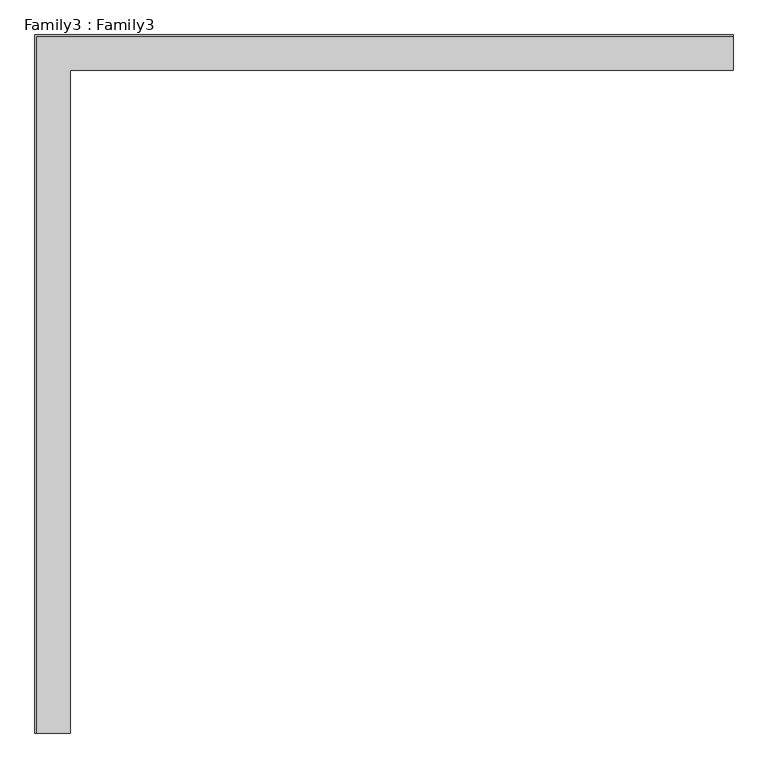
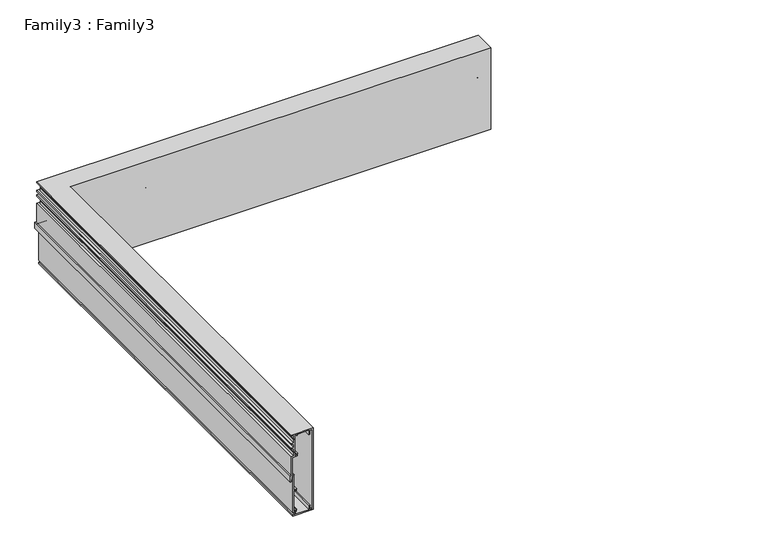
"""IFC4 building model written with IfcOpenShell, lengths in millimetres: proxy geometry, Family3 : Family3."""

from ifc_helpers import new_model, si_unit, frame, origin, place, context, project, spatial, polyline, circle_curve, ellipse_curve, source, transform, mapped, element, save
from ifc_brep_helpers import plane_surface, revolved_surface, advanced_brep


def family3_family3_2175eb46(model_context):
    return source(origin(), model_context, "Body", "AdvancedBrep", [
        advanced_brep(
        [(-21.0933994, -1000.0, -91.6613684), (25.8100253, -1000.0, -91.6613684), (25.8100253, -1000.0, 108.2285081), (-24.1412754, -1000.0, 108.2285081), (-24.1412754, -1000.0, 105.2652953), (-18.7228292, -1000.0, 105.2652953), (-18.7228292, -1000.0, 97.4762789), (-18.2148499, -1000.0, 96.2063306), (-18.7228292, -1000.0, 94.9363823), (-18.7228292, -1000.0, 87.2320291), (-24.1412754, -1000.0, 87.2320291), (-24.1412754, -1000.0, 84.2688164), (-18.7228292, -1000.0, 84.2688164), (-18.7228292, -1000.0, 76.0564839), (-24.1412754, -1000.0, 76.0564839), (-24.1412754, -1000.0, 73.0932711), (-18.7228292, -1000.0, 73.0932711), (-18.7228292, -1000.0, 65.3042547), (-18.2148499, -1000.0, 64.0343064), (-18.7228292, -1000.0, 62.7643581), (-18.7228292, -1000.0, 55.0600049), (-24.1412754, -1000.0, 55.0600049), (-24.1412754, -1000.0, 8.3259066), (-26.5118456, -1000.0, 8.3259066), (-26.5118456, -1000.0, -6.6594836), (-24.5645915, -1000.0, -6.6594836), (-23.6400987, -1000.0, 4.0142063), (-21.1293064, -1000.0, 4.0080823), (-21.0933994, -1000.0, -83.6183623), (-16.9449016, -1000.0, -83.6183623), (-16.9449016, -1000.0, -88.6134924), (-21.0933994, -1000.0, -88.6134924), (-9.1558852, -1000.0, 102.2174193), (-9.1558852, -1000.0, 105.2652953), (16.2430813, -1000.0, 105.2652953), (16.2430813, -1000.0, 95.2750352), (19.206294, -1000.0, 95.2750352), (19.206294, -1000.0, 105.2652953), (22.8468126, -1000.0, 105.2652953), (22.8468126, -1000.0, -88.6134924), (19.206294, -1000.0, -88.6134924), (19.206294, -1000.0, -78.6232323), (16.2430813, -1000.0, -78.6232323), (16.2430813, -1000.0, -88.6134924), (-13.9816888, -1000.0, -88.6134924), (-13.9816888, -1000.0, -83.6183623), (-11.4417922, -1000.0, -83.6183623), (-11.4417922, -1000.0, -77.6919368), (-14.4896682, -1000.0, -77.6919368), (-14.4896682, -1000.0, -80.6551496), (-18.0455235, -1000.0, -80.6551496), (-18.0455235, -1000.0, -30.4498489), (-14.4896682, -1000.0, -30.4498489), (-14.4896682, -1000.0, -33.4977248), (-11.4417922, -1000.0, -33.4977248), (-11.4417922, -1000.0, -27.4866361), (-18.0455235, -1000.0, -27.4866361), (-18.0455235, -1000.0, 8.3259066), (-21.1780627, -1000.0, 8.3259066), (-21.1780627, -1000.0, 52.0967922), (-9.1558852, -1000.0, 52.0967922), (-9.1558852, -1000.0, 58.1078809), (-12.1190979, -1000.0, 58.1078809), (-12.1190979, -1000.0, 55.0600049), (-15.7596165, -1000.0, 55.0600049), (-15.7596165, -1000.0, 105.2652953), (-12.1190979, -1000.0, 105.2652953), (-12.1190979, -1000.0, 102.2174193), (-21.0933994, 21.0933994, -91.6613684), (1000.0, 21.0933994, -91.6613684), (1000.0, -25.8100253, -91.6613684), (25.8100253, -25.8100253, -91.6613684), (25.8100253, -25.8100253, 108.2285081), (1000.0, -25.8100253, 108.2285081), (1000.0, 24.1412754, 108.2285081), (-24.1412754, 24.1412754, 108.2285081), (-24.1412754, 24.1412754, 105.2652953), (1000.0, 24.1412754, 105.2652953), (1000.0, 18.7228292, 105.2652953), (-18.7228292, 18.7228292, 105.2652953), (-18.7228292, 18.7228292, 97.4762789), (-18.2148499, 18.2148499, 96.2063306), (-18.7228292, 18.7228292, 94.9363823), (-18.7228292, 18.7228292, 87.2320291), (1000.0, 18.7228292, 87.2320291), (1000.0, 24.1412754, 87.2320291), (-24.1412754, 24.1412754, 87.2320291), (-24.1412754, 24.1412754, 84.2688164), (1000.0, 24.1412754, 84.2688164), (1000.0, 18.7228292, 84.2688164), (-18.7228292, 18.7228292, 84.2688164), (-18.7228292, 18.7228292, 76.0564839), (1000.0, 18.7228292, 76.0564839), (1000.0, 24.1412754, 76.0564839), (-24.1412754, 24.1412754, 76.0564839), (-24.1412754, 24.1412754, 73.0932711), (1000.0, 24.1412754, 73.0932711), (1000.0, 18.7228292, 73.0932711), (-18.7228292, 18.7228292, 73.0932711), (-18.7228292, 18.7228292, 65.3042547), (-18.2148499, 18.2148499, 64.0343064), (-18.7228292, 18.7228292, 62.7643581), (-18.7228292, 18.7228292, 55.0600049), (1000.0, 18.7228292, 55.0600049), (1000.0, 24.1412754, 55.0600049), (-24.1412754, 24.1412754, 55.0600049), (-24.1412754, 24.1412754, 8.3259066), (1000.0, 24.1412754, 8.3259066), (1000.0, 26.5118456, 8.3259066), (-26.5118456, 26.5118456, 8.3259066), (-26.5118456, 26.5118456, -6.6594836), (1000.0, 26.5118456, -6.6594836), (1000.0, 24.5645915, -6.6594836), (-24.5645915, 24.5645915, -6.6594836), (-23.6400987, 23.6400987, 4.0142063), (-21.1293064, 21.1293064, 4.0080823), (-21.0933994, 21.0933994, -83.6183623), (1000.0, 21.0933994, -83.6183623), (1000.0, 16.9449016, -83.6183623), (-16.9449016, 16.9449016, -83.6183623), (-16.9449016, 16.9449016, -88.6134924), (1000.0, 16.9449016, -88.6134924), (1000.0, 21.0933994, -88.6134924), (-21.0933994, 21.0933994, -88.6134924), (-9.1558852, 9.1558852, 102.2174193), (-9.1558852, 9.1558852, 105.2652953), (1000.0, 9.1558852, 105.2652953), (1000.0, -16.2430813, 105.2652953), (16.2430813, -16.2430813, 105.2652953), (16.2430813, -16.2430813, 95.2750352), (1000.0, -16.2430813, 95.2750352), (1000.0, -19.206294, 95.2750352), (19.206294, -19.206294, 95.2750352), (19.206294, -19.206294, 105.2652953), (1000.0, -19.206294, 105.2652953), (1000.0, -22.8468126, 105.2652953), (22.8468126, -22.8468126, 105.2652953), (22.8468126, -22.8468126, -88.6134924), (1000.0, -22.8468126, -88.6134924), (1000.0, -19.206294, -88.6134924), (19.206294, -19.206294, -88.6134924), (19.206294, -19.206294, -78.6232323), (1000.0, -19.206294, -78.6232323), (1000.0, -16.2430813, -78.6232323), (16.2430813, -16.2430813, -78.6232323), (16.2430813, -16.2430813, -88.6134924), (1000.0, -16.2430813, -88.6134924), (1000.0, 13.9816888, -88.6134924), (-13.9816888, 13.9816888, -88.6134924), (-13.9816888, 13.9816888, -83.6183623), (1000.0, 13.9816888, -83.6183623), (1000.0, 11.4417922, -83.6183623), (-11.4417922, 11.4417922, -83.6183623), (-11.4417922, 11.4417922, -77.6919368), (1000.0, 11.4417922, -77.6919368), (1000.0, 14.4896682, -77.6919368), (-14.4896682, 14.4896682, -77.6919368), (-14.4896682, 14.4896682, -80.6551496), (1000.0, 14.4896682, -80.6551496), (1000.0, 18.0455235, -80.6551496), (-18.0455235, 18.0455235, -80.6551496), (-18.0455235, 18.0455235, -30.4498489), (1000.0, 18.0455235, -30.4498489), (1000.0, 14.4896682, -30.4498489), (-14.4896682, 14.4896682, -30.4498489), (-14.4896682, 14.4896682, -33.4977248), (1000.0, 14.4896682, -33.4977248), (1000.0, 11.4417922, -33.4977248), (-11.4417922, 11.4417922, -33.4977248), (-11.4417922, 11.4417922, -27.4866361), (1000.0, 11.4417922, -27.4866361), (1000.0, 18.0455235, -27.4866361), (-18.0455235, 18.0455235, -27.4866361), (-18.0455235, 18.0455235, 8.3259066), (1000.0, 18.0455235, 8.3259066), (1000.0, 21.1780627, 8.3259066), (-21.1780627, 21.1780627, 8.3259066), (-21.1780627, 21.1780627, 52.0967922), (1000.0, 21.1780627, 52.0967922), (1000.0, 9.1558852, 52.0967922), (-9.1558852, 9.1558852, 52.0967922), (-9.1558852, 9.1558852, 58.1078809), (1000.0, 9.1558852, 58.1078809), (1000.0, 12.1190979, 58.1078809), (-12.1190979, 12.1190979, 58.1078809), (-12.1190979, 12.1190979, 55.0600049), (1000.0, 12.1190979, 55.0600049), (1000.0, 15.7596165, 55.0600049), (-15.7596165, 15.7596165, 55.0600049), (-15.7596165, 15.7596165, 105.2652953), (1000.0, 15.7596165, 105.2652953), (1000.0, 12.1190979, 105.2652953), (-12.1190979, 12.1190979, 105.2652953), (-12.1190979, 12.1190979, 102.2174193), (1000.0, 12.1190979, 102.2174193), (1000.0, 9.1558852, 102.2174193), (1000.0, 21.0933994, 4.1063197), (1000.0, 23.6293064, 4.0080823), (1000.0, 18.7228292, 62.7643581), (1000.0, 18.2148499, 64.0343064), (1000.0, 18.7228292, 65.3042547), (1000.0, 18.7228292, 94.9363823), (1000.0, 18.2148499, 96.2063306), (1000.0, 18.7228292, 97.4762789)],
        [
            (0, 1),
            (1, 2),
            (2, 3),
            (3, 4),
            (4, 5),
            (5, 6),
            (6, 7),
            (7, 8),
            (8, 9),
            (9, 10),
            (10, 11),
            (11, 12),
            (12, 13),
            (13, 14),
            (14, 15),
            (15, 16),
            (16, 17),
            (17, 18),
            (18, 19),
            (19, 20),
            (20, 21),
            (21, 22),
            (22, 23),
            (23, 24),
            (24, 25),
            (25, 26),
            (26, 27, circle_curve(frame((-22.3793064, -1000.0, 4.0080823), z_axis=(0.0, 1.0, 0.0), x_axis=(-1.0, 0.0, 0.0)), 1.25)),
            (27, 28),
            (28, 29),
            (29, 30),
            (30, 31),
            (31, 0),
            (32, 33),
            (33, 34),
            (34, 35),
            (35, 36),
            (36, 37),
            (37, 38),
            (38, 39),
            (39, 40),
            (40, 41),
            (41, 42),
            (42, 43),
            (43, 44),
            (44, 45),
            (45, 46),
            (46, 47),
            (47, 48),
            (48, 49),
            (49, 50),
            (50, 51),
            (51, 52),
            (52, 53),
            (53, 54),
            (54, 55),
            (55, 56),
            (56, 57),
            (57, 58),
            (58, 59),
            (59, 60),
            (60, 61),
            (61, 62),
            (62, 63),
            (63, 64),
            (64, 65),
            (65, 66),
            (66, 67),
            (67, 32),
            (0, 68),
            (68, 69),
            (69, 70),
            (70, 71),
            (71, 1),
            (71, 72),
            (72, 2),
            (72, 73),
            (73, 74),
            (74, 75),
            (75, 3),
            (75, 76),
            (76, 4),
            (76, 77),
            (77, 78),
            (78, 79),
            (79, 5),
            (79, 80),
            (80, 6),
            (80, 81),
            (81, 7),
            (81, 82),
            (82, 8),
            (82, 83),
            (83, 9),
            (83, 84),
            (84, 85),
            (85, 86),
            (86, 10),
            (86, 87),
            (87, 11),
            (87, 88),
            (88, 89),
            (89, 90),
            (90, 12),
            (90, 91),
            (91, 13),
            (91, 92),
            (92, 93),
            (93, 94),
            (94, 14),
            (94, 95),
            (95, 15),
            (95, 96),
            (96, 97),
            (97, 98),
            (98, 16),
            (98, 99),
            (99, 17),
            (99, 100),
            (100, 18),
            (100, 101),
            (101, 19),
            (101, 102),
            (102, 20),
            (102, 103),
            (103, 104),
            (104, 105),
            (105, 21),
            (105, 106),
            (106, 22),
            (106, 107),
            (107, 108),
            (108, 109),
            (109, 23),
            (109, 110),
            (110, 24),
            (110, 111),
            (111, 112),
            (112, 113),
            (113, 25),
            (113, 114),
            (114, 26),
            (114, 115, ellipse_curve(frame((-22.3793064, 22.3793064, 4.0080823), z_axis=(0.707106781186548, 0.7071067811865469, 0.0), x_axis=(-0.7071067811865468, 0.7071067811865482, 0.0)), 1.767767, 1.25)),
            (115, 27),
            (115, 116),
            (116, 28),
            (116, 117),
            (117, 118),
            (118, 119),
            (119, 29),
            (119, 120),
            (120, 30),
            (120, 121),
            (121, 122),
            (122, 123),
            (123, 31),
            (123, 68),
            (32, 124),
            (124, 125),
            (125, 33),
            (125, 126),
            (126, 127),
            (127, 128),
            (128, 34),
            (128, 129),
            (129, 35),
            (129, 130),
            (130, 131),
            (131, 132),
            (132, 36),
            (132, 133),
            (133, 37),
            (133, 134),
            (134, 135),
            (135, 136),
            (136, 38),
            (136, 137),
            (137, 39),
            (137, 138),
            (138, 139),
            (139, 140),
            (140, 40),
            (140, 141),
            (141, 41),
            (141, 142),
            (142, 143),
            (143, 144),
            (144, 42),
            (144, 145),
            (145, 43),
            (145, 146),
            (146, 147),
            (147, 148),
            (148, 44),
            (148, 149),
            (149, 45),
            (149, 150),
            (150, 151),
            (151, 152),
            (152, 46),
            (152, 153),
            (153, 47),
            (153, 154),
            (154, 155),
            (155, 156),
            (156, 48),
            (156, 157),
            (157, 49),
            (157, 158),
            (158, 159),
            (159, 160),
            (160, 50),
            (160, 161),
            (161, 51),
            (161, 162),
            (162, 163),
            (163, 164),
            (164, 52),
            (164, 165),
            (165, 53),
            (165, 166),
            (166, 167),
            (167, 168),
            (168, 54),
            (168, 169),
            (169, 55),
            (169, 170),
            (170, 171),
            (171, 172),
            (172, 56),
            (172, 173),
            (173, 57),
            (173, 174),
            (174, 175),
            (175, 176),
            (176, 58),
            (176, 177),
            (177, 59),
            (177, 178),
            (178, 179),
            (179, 180),
            (180, 60),
            (180, 181),
            (181, 61),
            (181, 182),
            (182, 183),
            (183, 184),
            (184, 62),
            (184, 185),
            (185, 63),
            (185, 186),
            (186, 187),
            (187, 188),
            (188, 64),
            (188, 189),
            (189, 65),
            (189, 190),
            (190, 191),
            (191, 192),
            (192, 66),
            (192, 193),
            (193, 67),
            (193, 194),
            (194, 195),
            (195, 124),
            (69, 122),
            (121, 118),
            (117, 196),
            (196, 197, circle_curve(frame((1000.0, 22.3793064, 4.0080823), z_axis=(-1.0, 0.0, 0.0), x_axis=(0.0, 1.0, 0.0)), 1.25)),
            (197, 112),
            (111, 108),
            (107, 104),
            (103, 198),
            (198, 199),
            (199, 200),
            (200, 97),
            (96, 93),
            (92, 89),
            (88, 85),
            (84, 201),
            (201, 202),
            (202, 203),
            (203, 78),
            (77, 74),
            (73, 70),
            (194, 191),
            (190, 187),
            (186, 183),
            (182, 179),
            (178, 175),
            (174, 171),
            (170, 167),
            (166, 163),
            (162, 159),
            (158, 155),
            (154, 151),
            (150, 147),
            (146, 143),
            (142, 139),
            (138, 135),
            (134, 131),
            (130, 127),
            (126, 195),
            (203, 80),
            (202, 81),
            (201, 82),
            (200, 99),
            (199, 100),
            (198, 101),
            (197, 114),
            (196, 115),
        ],
        [
            plane_surface(frame((0.0, -1000.0, 0.0), z_axis=(0.0, -1.0, 0.0), x_axis=(0.0, 0.0, 1.0))),
            plane_surface(frame((-21.0933994, -1000.0, -91.6613684), z_axis=(0.0, 0.0, -1.0), x_axis=(0.0, 1.0, 0.0))),
            plane_surface(frame((25.8100253, -1000.0, -91.6613684), z_axis=(1.0, 0.0, 0.0), x_axis=(0.0, 1.0, 0.0))),
            plane_surface(frame((25.8100253, -1000.0, 108.2285081), z_axis=(0.0, 0.0, 1.0), x_axis=(0.0, 1.0, 0.0))),
            plane_surface(frame((-24.1412754, -1000.0, 108.2285081), z_axis=(-1.0, 0.0, 0.0), x_axis=(0.0, 1.0, 0.0))),
            plane_surface(frame((-24.1412754, -1000.0, 105.2652953), z_axis=(0.0, 0.0, -1.0), x_axis=(0.0, 1.0, 0.0))),
            plane_surface(frame((-18.7228292, -1000.0, 105.2652953), z_axis=(-1.0, 0.0, 0.0), x_axis=(0.0, 1.0, 0.0))),
            plane_surface(frame((-18.7228292, -1000.0, 97.4762789), z_axis=(-0.9284766908852184, 0.0, -0.37139067635420614), x_axis=(0.0, 1.0, 0.0))),
            plane_surface(frame((-18.2148499, -1000.0, 96.2063306), z_axis=(-0.9284766908852321, 0.0, 0.37139067635417206), x_axis=(0.0, 1.0, 0.0))),
            plane_surface(frame((-18.7228292, -1000.0, 94.9363823), z_axis=(-1.0, 0.0, 0.0), x_axis=(0.0, 1.0, 0.0))),
            plane_surface(frame((-18.7228292, -1000.0, 87.2320291), z_axis=(0.0, 0.0, 1.0), x_axis=(0.0, 1.0, 0.0))),
            plane_surface(frame((-24.1412754, -1000.0, 87.2320291), z_axis=(-1.0, 0.0, 0.0), x_axis=(0.0, 1.0, 0.0))),
            plane_surface(frame((-24.1412754, -1000.0, 84.2688164), z_axis=(0.0, 0.0, -1.0), x_axis=(0.0, 1.0, 0.0))),
            plane_surface(frame((-18.7228292, -1000.0, 84.2688164), z_axis=(-1.0, 0.0, 0.0), x_axis=(0.0, 1.0, 0.0))),
            plane_surface(frame((-18.7228292, -1000.0, 76.0564839), z_axis=(0.0, 0.0, 1.0), x_axis=(0.0, 1.0, 0.0))),
            plane_surface(frame((-24.1412754, -1000.0, 76.0564839), z_axis=(-1.0, 0.0, 0.0), x_axis=(0.0, 1.0, 0.0))),
            plane_surface(frame((-24.1412754, -1000.0, 73.0932711), z_axis=(0.0, 0.0, -1.0), x_axis=(0.0, 1.0, 0.0))),
            plane_surface(frame((-18.7228292, -1000.0, 73.0932711), z_axis=(-1.0, 0.0, 0.0), x_axis=(0.0, 1.0, 0.0))),
            plane_surface(frame((-18.7228292, -1000.0, 65.3042547), z_axis=(-0.9284766908852252, 0.0, -0.3713906763541891), x_axis=(0.0, 1.0, 0.0))),
            plane_surface(frame((-18.2148499, -1000.0, 64.0343064), z_axis=(-0.9284766908852321, 0.0, 0.37139067635417206), x_axis=(0.0, 1.0, 0.0))),
            plane_surface(frame((-18.7228292, -1000.0, 62.7643581), z_axis=(-1.0, 0.0, 0.0), x_axis=(0.0, 1.0, 0.0))),
            plane_surface(frame((-18.7228292, -1000.0, 55.0600049), z_axis=(0.0, 0.0, 1.0), x_axis=(0.0, 1.0, 0.0))),
            plane_surface(frame((-24.1412754, -1000.0, 55.0600049), z_axis=(-1.0, 0.0, 0.0), x_axis=(0.0, 1.0, 0.0))),
            plane_surface(frame((-24.1412754, -1000.0, 8.3259066), z_axis=(0.0, 0.0, 1.0), x_axis=(0.0, 1.0, 0.0))),
            plane_surface(frame((-26.5118456, -1000.0, 8.3259066), z_axis=(-1.0, 0.0, 0.0), x_axis=(0.0, 1.0, 0.0))),
            plane_surface(frame((-26.5118456, -1000.0, -6.6594836), z_axis=(0.0, 0.0, -1.0), x_axis=(0.0, 1.0, 0.0))),
            plane_surface(frame((-24.5645915, -1000.0, -6.6594836), z_axis=(0.9962699665019742, 0.0, -0.08629109946080901), x_axis=(0.0, 1.0, 0.0))),
            revolved_surface(polyline([(-23.6293064, 23.640098699999953, 4.0080823), (-23.6293064, -1000.0, 4.0080823)]), (-22.3793064, -1000.0, 4.0080823), (0.0, 1.0, 0.0)),
            plane_surface(frame((-21.0933994, -1000.0, 4.1063197), z_axis=(-1.0, 0.0, 0.0), x_axis=(0.0, 1.0, 0.0))),
            plane_surface(frame((-21.0933994, -1000.0, -83.6183623), z_axis=(0.0, 0.0, -1.0), x_axis=(0.0, 1.0, 0.0))),
            plane_surface(frame((-16.9449016, -1000.0, -83.6183623), z_axis=(-1.0, 0.0, 0.0), x_axis=(0.0, 1.0, 0.0))),
            plane_surface(frame((-16.9449016, -1000.0, -88.6134924), z_axis=(0.0, 0.0, 1.0), x_axis=(0.0, 1.0, 0.0))),
            plane_surface(frame((-21.0933994, -1000.0, -88.6134924), z_axis=(-1.0, 0.0, 0.0), x_axis=(0.0, 1.0, 0.0))),
            plane_surface(frame((-9.1558852, -1000.0, 102.2174193), z_axis=(1.0, 0.0, 0.0), x_axis=(0.0, 1.0, 0.0))),
            plane_surface(frame((-9.1558852, -1000.0, 105.2652953), z_axis=(0.0, 0.0, -1.0), x_axis=(0.0, 1.0, 0.0))),
            plane_surface(frame((16.2430813, -1000.0, 105.2652953), z_axis=(-1.0, 0.0, 0.0), x_axis=(0.0, 1.0, 0.0))),
            plane_surface(frame((16.2430813, -1000.0, 95.2750352), z_axis=(0.0, 0.0, -1.0), x_axis=(0.0, 1.0, 0.0))),
            plane_surface(frame((19.206294, -1000.0, 95.2750352), z_axis=(1.0, 0.0, 0.0), x_axis=(0.0, 1.0, 0.0))),
            plane_surface(frame((19.206294, -1000.0, 105.2652953), z_axis=(0.0, 0.0, -1.0), x_axis=(0.0, 1.0, 0.0))),
            plane_surface(frame((22.8468126, -1000.0, 105.2652953), z_axis=(-1.0, 0.0, 0.0), x_axis=(0.0, 1.0, 0.0))),
            plane_surface(frame((22.8468126, -1000.0, -88.6134924), z_axis=(0.0, 0.0, 1.0), x_axis=(0.0, 1.0, 0.0))),
            plane_surface(frame((19.206294, -1000.0, -88.6134924), z_axis=(1.0, 0.0, 0.0), x_axis=(0.0, 1.0, 0.0))),
            plane_surface(frame((19.206294, -1000.0, -78.6232323), z_axis=(0.0, 0.0, 1.0), x_axis=(0.0, 1.0, 0.0))),
            plane_surface(frame((16.2430813, -1000.0, -78.6232323), z_axis=(-1.0, 0.0, 0.0), x_axis=(0.0, 1.0, 0.0))),
            plane_surface(frame((16.2430813, -1000.0, -88.6134924), z_axis=(0.0, 0.0, 1.0), x_axis=(0.0, 1.0, 0.0))),
            plane_surface(frame((-13.9816888, -1000.0, -88.6134924), z_axis=(1.0, 0.0, 0.0), x_axis=(0.0, 1.0, 0.0))),
            plane_surface(frame((-13.9816888, -1000.0, -83.6183623), z_axis=(0.0, 0.0, -1.0), x_axis=(0.0, 1.0, 0.0))),
            plane_surface(frame((-11.4417922, -1000.0, -83.6183623), z_axis=(1.0, 0.0, 0.0), x_axis=(0.0, 1.0, 0.0))),
            plane_surface(frame((-11.4417922, -1000.0, -77.6919368), z_axis=(0.0, 0.0, 1.0), x_axis=(0.0, 1.0, 0.0))),
            plane_surface(frame((-14.4896682, -1000.0, -77.6919368), z_axis=(-1.0, 0.0, 0.0), x_axis=(0.0, 1.0, 0.0))),
            plane_surface(frame((-14.4896682, -1000.0, -80.6551496), z_axis=(0.0, 0.0, 1.0), x_axis=(0.0, 1.0, 0.0))),
            plane_surface(frame((-18.0455235, -1000.0, -80.6551496), z_axis=(1.0, 0.0, 0.0), x_axis=(0.0, 1.0, 0.0))),
            plane_surface(frame((-18.0455235, -1000.0, -30.4498489), z_axis=(0.0, 0.0, -1.0), x_axis=(0.0, 1.0, 0.0))),
            plane_surface(frame((-14.4896682, -1000.0, -30.4498489), z_axis=(-1.0, 0.0, 0.0), x_axis=(0.0, 1.0, 0.0))),
            plane_surface(frame((-14.4896682, -1000.0, -33.4977248), z_axis=(0.0, 0.0, -1.0), x_axis=(0.0, 1.0, 0.0))),
            plane_surface(frame((-11.4417922, -1000.0, -33.4977248), z_axis=(1.0, 0.0, 0.0), x_axis=(0.0, 1.0, 0.0))),
            plane_surface(frame((-11.4417922, -1000.0, -27.4866361), z_axis=(0.0, 0.0, 1.0), x_axis=(0.0, 1.0, 0.0))),
            plane_surface(frame((-18.0455235, -1000.0, -27.4866361), z_axis=(1.0, 0.0, 0.0), x_axis=(0.0, 1.0, 0.0))),
            plane_surface(frame((-18.0455235, -1000.0, 8.3259066), z_axis=(0.0, 0.0, 1.0), x_axis=(0.0, 1.0, 0.0))),
            plane_surface(frame((-21.1780627, -1000.0, 8.3259066), z_axis=(1.0, 0.0, 0.0), x_axis=(0.0, 1.0, 0.0))),
            plane_surface(frame((-21.1780627, -1000.0, 52.0967922), z_axis=(0.0, 0.0, -1.0), x_axis=(0.0, 1.0, 0.0))),
            plane_surface(frame((-9.1558852, -1000.0, 52.0967922), z_axis=(1.0, 0.0, 0.0), x_axis=(0.0, 1.0, 0.0))),
            plane_surface(frame((-9.1558852, -1000.0, 58.1078809), z_axis=(0.0, 0.0, 1.0), x_axis=(0.0, 1.0, 0.0))),
            plane_surface(frame((-12.1190979, -1000.0, 58.1078809), z_axis=(-1.0, 0.0, 0.0), x_axis=(0.0, 1.0, 0.0))),
            plane_surface(frame((-12.1190979, -1000.0, 55.0600049), z_axis=(0.0, 0.0, 1.0), x_axis=(0.0, 1.0, 0.0))),
            plane_surface(frame((-15.7596165, -1000.0, 55.0600049), z_axis=(1.0, 0.0, 0.0), x_axis=(0.0, 1.0, 0.0))),
            plane_surface(frame((-15.7596165, -1000.0, 105.2652953), z_axis=(0.0, 0.0, -1.0), x_axis=(0.0, 1.0, 0.0))),
            plane_surface(frame((-12.1190979, -1000.0, 105.2652953), z_axis=(-1.0, 0.0, 0.0), x_axis=(0.0, 1.0, 0.0))),
            plane_surface(frame((-12.1190979, -1000.0, 102.2174193), z_axis=(0.0, 0.0, -1.0), x_axis=(0.0, 1.0, 0.0))),
            plane_surface(frame((1000.0, 0.0, 0.0), z_axis=(1.0, 0.0, 0.0), x_axis=(0.0, 0.0, 1.0))),
            plane_surface(frame((25.8100253, -25.8100253, -91.6613684), z_axis=(0.0, -1.0, 0.0), x_axis=(1.0, 0.0, 0.0))),
            plane_surface(frame((-24.1412754, 24.1412754, 108.2285081), z_axis=(0.0, 1.0, 0.0), x_axis=(1.0, 0.0, 0.0))),
            plane_surface(frame((-18.7228292, 18.7228292, 105.2652953), z_axis=(0.0, 1.0, 0.0), x_axis=(1.0, 0.0, 0.0))),
            plane_surface(frame((-18.7228292, 18.7228292, 97.4762789), z_axis=(0.0, 0.9284766908852184, -0.37139067635420614), x_axis=(1.0, 0.0, 0.0))),
            plane_surface(frame((-18.2148499, 18.2148499, 96.2063306), z_axis=(0.0, 0.9284766908852321, 0.37139067635417206), x_axis=(1.0, 0.0, 0.0))),
            plane_surface(frame((-18.7228292, 18.7228292, 94.9363823), z_axis=(0.0, 1.0, 0.0), x_axis=(1.0, 0.0, 0.0))),
            plane_surface(frame((-24.1412754, 24.1412754, 87.2320291), z_axis=(0.0, 1.0, 0.0), x_axis=(1.0, 0.0, 0.0))),
            plane_surface(frame((-18.7228292, 18.7228292, 84.2688164), z_axis=(0.0, 1.0, 0.0), x_axis=(1.0, 0.0, 0.0))),
            plane_surface(frame((-24.1412754, 24.1412754, 76.0564839), z_axis=(0.0, 1.0, 0.0), x_axis=(1.0, 0.0, 0.0))),
            plane_surface(frame((-18.7228292, 18.7228292, 73.0932711), z_axis=(0.0, 1.0, 0.0), x_axis=(1.0, 0.0, 0.0))),
            plane_surface(frame((-18.7228292, 18.7228292, 65.3042547), z_axis=(0.0, 0.9284766908852252, -0.3713906763541891), x_axis=(1.0, 0.0, 0.0))),
            plane_surface(frame((-18.2148499, 18.2148499, 64.0343064), z_axis=(0.0, 0.9284766908852321, 0.37139067635417206), x_axis=(1.0, 0.0, 0.0))),
            plane_surface(frame((-18.7228292, 18.7228292, 62.7643581), z_axis=(0.0, 1.0, 0.0), x_axis=(1.0, 0.0, 0.0))),
            plane_surface(frame((-24.1412754, 24.1412754, 55.0600049), z_axis=(0.0, 1.0, 0.0), x_axis=(1.0, 0.0, 0.0))),
            plane_surface(frame((-26.5118456, 26.5118456, 8.3259066), z_axis=(0.0, 1.0, 0.0), x_axis=(1.0, 0.0, 0.0))),
            plane_surface(frame((-24.5645915, 24.5645915, -6.6594836), z_axis=(0.0, -0.9962699665019742, -0.08629109946080901), x_axis=(1.0, 0.0, 0.0))),
            revolved_surface(polyline([(1000.0, 23.6293064, 4.0080823), (-23.6400987, 23.6293064, 4.0080823)]), (0.0, 22.3793064, 4.0080823), (1.0, 0.0, 0.0)),
            plane_surface(frame((-21.0933994, 21.0933994, 4.1063197), z_axis=(0.0, 1.0, 0.0), x_axis=(1.0, 0.0, 0.0))),
            plane_surface(frame((-16.9449016, 16.9449016, -83.6183623), z_axis=(0.0, 1.0, 0.0), x_axis=(1.0, 0.0, 0.0))),
            plane_surface(frame((-21.0933994, 21.0933994, -88.6134924), z_axis=(0.0, 1.0, 0.0), x_axis=(1.0, 0.0, 0.0))),
            plane_surface(frame((-9.1558852, 9.1558852, 102.2174193), z_axis=(0.0, -1.0, 0.0), x_axis=(1.0, 0.0, 0.0))),
            plane_surface(frame((16.2430813, -16.2430813, 105.2652953), z_axis=(0.0, 1.0, 0.0), x_axis=(1.0, 0.0, 0.0))),
            plane_surface(frame((19.206294, -19.206294, 95.2750352), z_axis=(0.0, -1.0, 0.0), x_axis=(1.0, 0.0, 0.0))),
            plane_surface(frame((22.8468126, -22.8468126, 105.2652953), z_axis=(0.0, 1.0, 0.0), x_axis=(1.0, 0.0, 0.0))),
            plane_surface(frame((19.206294, -19.206294, -88.6134924), z_axis=(0.0, -1.0, 0.0), x_axis=(1.0, 0.0, 0.0))),
            plane_surface(frame((16.2430813, -16.2430813, -78.6232323), z_axis=(0.0, 1.0, 0.0), x_axis=(1.0, 0.0, 0.0))),
            plane_surface(frame((-13.9816888, 13.9816888, -88.6134924), z_axis=(0.0, -1.0, 0.0), x_axis=(1.0, 0.0, 0.0))),
            plane_surface(frame((-11.4417922, 11.4417922, -83.6183623), z_axis=(0.0, -1.0, 0.0), x_axis=(1.0, 0.0, 0.0))),
            plane_surface(frame((-14.4896682, 14.4896682, -77.6919368), z_axis=(0.0, 1.0, 0.0), x_axis=(1.0, 0.0, 0.0))),
            plane_surface(frame((-18.0455235, 18.0455235, -80.6551496), z_axis=(0.0, -1.0, 0.0), x_axis=(1.0, 0.0, 0.0))),
            plane_surface(frame((-14.4896682, 14.4896682, -30.4498489), z_axis=(0.0, 1.0, 0.0), x_axis=(1.0, 0.0, 0.0))),
            plane_surface(frame((-11.4417922, 11.4417922, -33.4977248), z_axis=(0.0, -1.0, 0.0), x_axis=(1.0, 0.0, 0.0))),
            plane_surface(frame((-18.0455235, 18.0455235, -27.4866361), z_axis=(0.0, -1.0, 0.0), x_axis=(1.0, 0.0, 0.0))),
            plane_surface(frame((-21.1780627, 21.1780627, 8.3259066), z_axis=(0.0, -1.0, 0.0), x_axis=(1.0, 0.0, 0.0))),
            plane_surface(frame((-9.1558852, 9.1558852, 52.0967922), z_axis=(0.0, -1.0, 0.0), x_axis=(1.0, 0.0, 0.0))),
            plane_surface(frame((-12.1190979, 12.1190979, 58.1078809), z_axis=(0.0, 1.0, 0.0), x_axis=(1.0, 0.0, 0.0))),
            plane_surface(frame((-15.7596165, 15.7596165, 55.0600049), z_axis=(0.0, -1.0, 0.0), x_axis=(1.0, 0.0, 0.0))),
            plane_surface(frame((-12.1190979, 12.1190979, 105.2652953), z_axis=(0.0, 1.0, 0.0), x_axis=(1.0, 0.0, 0.0))),
        ],
        [
            (0, [[1, 2, 3, 4, 5, 6, 7, 8, 9, 10, 11, 12, 13, 14, 15, 16, 17, 18, 19, 20, 21, 22, 23, 24, 25, 26, 27, 28, 29, 30, 31, 32], [33, 34, 35, 36, 37, 38, 39, 40, 41, 42, 43, 44, 45, 46, 47, 48, 49, 50, 51, 52, 53, 54, 55, 56, 57, 58, 59, 60, 61, 62, 63, 64, 65, 66, 67, 68]]),
            (1, [[-1, 69, 70, 71, 72, 73]]),
            (2, [[-2, -73, 74, 75]]),
            (3, [[-3, -75, 76, 77, 78, 79]]),
            (4, [[-4, -79, 80, 81]]),
            (5, [[-5, -81, 82, 83, 84, 85]]),
            (6, [[-6, -85, 86, 87]]),
            (7, [[-7, -87, 88, 89]]),
            (8, [[-8, -89, 90, 91]]),
            (9, [[-9, -91, 92, 93]]),
            (10, [[-10, -93, 94, 95, 96, 97]]),
            (11, [[-11, -97, 98, 99]]),
            (12, [[-12, -99, 100, 101, 102, 103]]),
            (13, [[-13, -103, 104, 105]]),
            (14, [[-14, -105, 106, 107, 108, 109]]),
            (15, [[-15, -109, 110, 111]]),
            (16, [[-16, -111, 112, 113, 114, 115]]),
            (17, [[-17, -115, 116, 117]]),
            (18, [[-18, -117, 118, 119]]),
            (19, [[-19, -119, 120, 121]]),
            (20, [[-20, -121, 122, 123]]),
            (21, [[-21, -123, 124, 125, 126, 127]]),
            (22, [[-22, -127, 128, 129]]),
            (23, [[-23, -129, 130, 131, 132, 133]]),
            (24, [[-24, -133, 134, 135]]),
            (25, [[-25, -135, 136, 137, 138, 139]]),
            (26, [[-26, -139, 140, 141]]),
            (27, [[-27, -141, 142, 143]]),
            (28, [[-28, -143, 144, 145]]),
            (29, [[-29, -145, 146, 147, 148, 149]]),
            (30, [[-30, -149, 150, 151]]),
            (31, [[-31, -151, 152, 153, 154, 155]]),
            (32, [[-32, -155, 156, -69]]),
            (33, [[-33, 157, 158, 159]]),
            (34, [[-34, -159, 160, 161, 162, 163]]),
            (35, [[-35, -163, 164, 165]]),
            (36, [[-36, -165, 166, 167, 168, 169]]),
            (37, [[-37, -169, 170, 171]]),
            (38, [[-38, -171, 172, 173, 174, 175]]),
            (39, [[-39, -175, 176, 177]]),
            (40, [[-40, -177, 178, 179, 180, 181]]),
            (41, [[-41, -181, 182, 183]]),
            (42, [[-42, -183, 184, 185, 186, 187]]),
            (43, [[-43, -187, 188, 189]]),
            (44, [[-44, -189, 190, 191, 192, 193]]),
            (45, [[-45, -193, 194, 195]]),
            (46, [[-46, -195, 196, 197, 198, 199]]),
            (47, [[-47, -199, 200, 201]]),
            (48, [[-48, -201, 202, 203, 204, 205]]),
            (49, [[-49, -205, 206, 207]]),
            (50, [[-50, -207, 208, 209, 210, 211]]),
            (51, [[-51, -211, 212, 213]]),
            (52, [[-52, -213, 214, 215, 216, 217]]),
            (53, [[-53, -217, 218, 219]]),
            (54, [[-54, -219, 220, 221, 222, 223]]),
            (55, [[-55, -223, 224, 225]]),
            (56, [[-56, -225, 226, 227, 228, 229]]),
            (57, [[-57, -229, 230, 231]]),
            (58, [[-58, -231, 232, 233, 234, 235]]),
            (59, [[-59, -235, 236, 237]]),
            (60, [[-60, -237, 238, 239, 240, 241]]),
            (61, [[-61, -241, 242, 243]]),
            (62, [[-62, -243, 244, 245, 246, 247]]),
            (63, [[-63, -247, 248, 249]]),
            (64, [[-64, -249, 250, 251, 252, 253]]),
            (65, [[-65, -253, 254, 255]]),
            (66, [[-66, -255, 256, 257, 258, 259]]),
            (67, [[-67, -259, 260, 261]]),
            (68, [[-68, -261, 262, 263, 264, -157]]),
            (69, [[265, -153, 266, -147, 267, 268, 269, -137, 270, -131, 271, -125, 272, 273, 274, 275, -113, 276, -107, 277, -101, 278, -95, 279, 280, 281, 282, -83, 283, -77, 284, -71], [-263, 285, -257, 286, -251, 287, -245, 288, -239, 289, -233, 290, -227, 291, -221, 292, -215, 293, -209, 294, -203, 295, -197, 296, -191, 297, -185, 298, -179, 299, -173, 300, -167, 301, -161, 302]]),
            (70, [[-74, -72, -284, -76]]),
            (71, [[-80, -78, -283, -82]]),
            (72, [[-86, -84, -282, 303]]),
            (73, [[-88, -303, -281, 304]]),
            (74, [[-90, -304, -280, 305]]),
            (75, [[-92, -305, -279, -94]]),
            (76, [[-98, -96, -278, -100]]),
            (77, [[-104, -102, -277, -106]]),
            (78, [[-110, -108, -276, -112]]),
            (79, [[-116, -114, -275, 306]]),
            (80, [[-118, -306, -274, 307]]),
            (81, [[-120, -307, -273, 308]]),
            (82, [[-122, -308, -272, -124]]),
            (83, [[-128, -126, -271, -130]]),
            (84, [[-134, -132, -270, -136]]),
            (85, [[-140, -138, -269, 309]]),
            (86, [[-142, -309, -268, 310]]),
            (87, [[-144, -310, -267, -146]]),
            (88, [[-150, -148, -266, -152]]),
            (89, [[-156, -154, -265, -70]]),
            (90, [[-158, -264, -302, -160]]),
            (91, [[-164, -162, -301, -166]]),
            (92, [[-170, -168, -300, -172]]),
            (93, [[-176, -174, -299, -178]]),
            (94, [[-182, -180, -298, -184]]),
            (95, [[-188, -186, -297, -190]]),
            (96, [[-194, -192, -296, -196]]),
            (97, [[-200, -198, -295, -202]]),
            (98, [[-206, -204, -294, -208]]),
            (99, [[-212, -210, -293, -214]]),
            (100, [[-218, -216, -292, -220]]),
            (101, [[-224, -222, -291, -226]]),
            (102, [[-230, -228, -290, -232]]),
            (103, [[-236, -234, -289, -238]]),
            (104, [[-242, -240, -288, -244]]),
            (105, [[-248, -246, -287, -250]]),
            (106, [[-254, -252, -286, -256]]),
            (107, [[-260, -258, -285, -262]]),
        ],
    ),
    ])


if __name__ == "__main__":
    model = new_model("IFC4")
    model_context = context("Model", 3, world=origin())
    ifc_project = project(units=[si_unit("LENGTHUNIT", "METRE", prefix="MILLI")], contexts=[model_context])
    site = spatial("IfcSite", under=ifc_project)
    building = spatial("IfcBuilding", under=site)
    placement = place(None, origin())
    family3_family3_shape = family3_family3_2175eb46(model_context)
    element("IfcBuildingElementProxy", 1, Name="Family3 : Family3", ObjectType="Family3 : Family3", at=placement, inside=building, context=model_context, shape_type="MappedRepresentation", body=[
        mapped(family3_family3_shape, transform((0.0, 0.0, 0.0), x_axis=(1.0, 0.0, 0.0), y_axis=(0.0, 1.0, 0.0), z_axis=(0.0, 0.0, 1.0))),
    ])
    save(model, "model.ifc")
